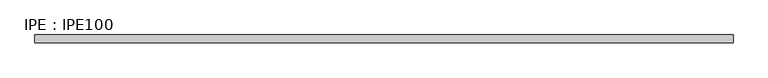
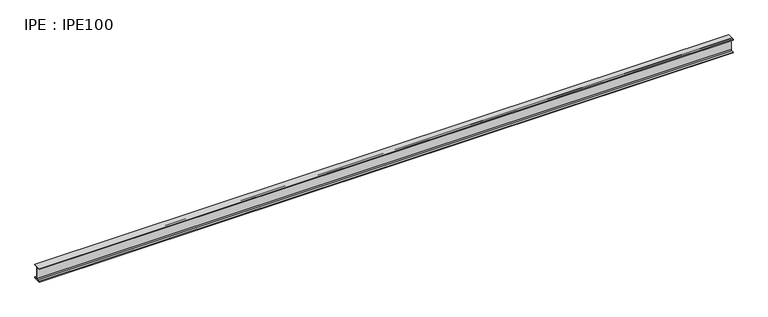
"""IFC4 building model written with IfcOpenShell, lengths in millimetres: beam geometry, IPE : IPE100."""

from ifc_helpers import new_model, si_unit, point, frame, frame_2d, origin, place, context, project, spatial, polyline, circle_curve, trimmed, segment, composite_curve, outline, extrude, source, transform, mapped, element, save


def ipe_ipe100_cf9f07bf(model_context):
    return source(origin(), model_context, "Body", "SweptSolid", [
        extrude(outline(composite_curve([segment(polyline([(27.5, -44.3), (27.5, -50.0), (-27.5, -50.0), (-27.5, -44.3), (-9.05, -44.3)]), True, "CONTINUOUS"), segment(trimmed(circle_curve(frame_2d((-9.05, -37.3)), 7.0), [point((-9.05, -44.3))], [point((-2.05, -37.3))], True, "CARTESIAN"), True, "CONTINUOUS"), segment(polyline([(-2.05, -37.3), (-2.05, 37.3)]), True, "CONTINUOUS"), segment(trimmed(circle_curve(frame_2d((-9.05, 37.3)), 7.0), [point((-2.05, 37.3))], [point((-9.05, 44.3))], True, "CARTESIAN"), True, "CONTINUOUS"), segment(polyline([(-9.05, 44.3), (-27.5, 44.3), (-27.5, 50.0), (27.5, 50.0), (27.5, 44.3), (9.05, 44.3)]), True, "CONTINUOUS"), segment(trimmed(circle_curve(frame_2d((9.05, 37.3)), 7.0), [point((9.05, 44.3))], [point((2.05, 37.3))], True, "CARTESIAN"), True, "CONTINUOUS"), segment(polyline([(2.05, 37.3), (2.05, -37.3)]), True, "CONTINUOUS"), segment(trimmed(circle_curve(frame_2d((9.05, -37.3)), 7.0), [point((2.05, -37.3))], [point((9.05, -44.3))], True, "CARTESIAN"), True, "CONTINUOUS"), segment(polyline([(9.05, -44.3), (27.5, -44.3)]), True, "CONTINUOUS")], self_intersect=False)), frame((-2449.2, 0.0, 0.0), z_axis=(1.0, 0.0, 0.0), x_axis=(0.0, 1.0, 0.0)), (0.0, 0.0, 1.0), 4880.3),
    ])


if __name__ == "__main__":
    model = new_model("IFC4")
    model_context = context("Model", 3, world=origin())
    ifc_project = project(units=[si_unit("LENGTHUNIT", "METRE", prefix="MILLI")], contexts=[model_context])
    site = spatial("IfcSite", under=ifc_project)
    building = spatial("IfcBuilding", under=site)
    placement = place(None, origin())
    ipe_ipe100_shape = ipe_ipe100_cf9f07bf(model_context)
    element("IfcBeam", 1, ObjectType="IPE : IPE100", at=placement, inside=building, context=model_context, shape_type="MappedRepresentation", body=[
        mapped(ipe_ipe100_shape, transform((0.0, 0.0, 0.0), x_axis=(1.0, 0.0, 0.0), y_axis=(0.0, 1.0, 0.0), z_axis=(0.0, 0.0, 1.0))),
    ])
    save(model, "model.ifc")
